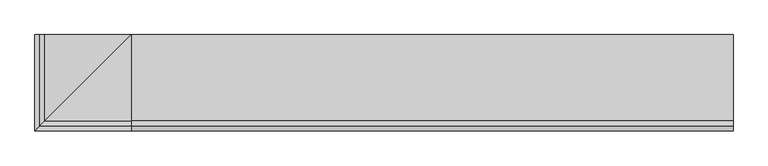
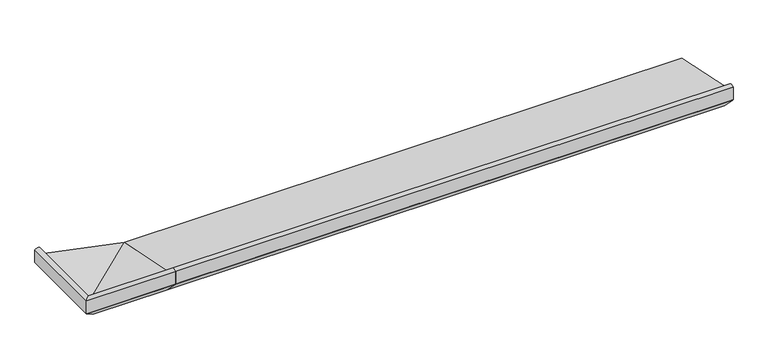
"""IFC4 building model written with IfcOpenShell, lengths in millimetres: proxy geometry."""

from ifc_helpers import new_model, si_unit, point, frame, frame_2d, origin, place, context, project, spatial, polyline, circle_curve, ellipse_curve, trimmed, segment, composite_curve, outline, extrude, source, transform, mapped, element, save
from ifc_brep_helpers import plane_surface, cylinder_surface, advanced_brep


def generic_models_1d79dcf6(model_context):
    return source(origin(), model_context, "Body", "SolidModel", [
        advanced_brep(
        [(0.0, 16.9634146, 2.0714803), (0.0, 27.0536769, 0.9956448), (0.0, 27.0536769, 0.0), (0.0, 35.0, 0.0), (0.0, 35.0, 9.1871592), (0.0, -108.4970481, 38.6463845), (0.0, -116.6949035, 52.9234409), (0.0, -125.0, 51.2355304), (0.0, -125.0, 27.0076366), (0.0, -124.2741015, 25.9409736), (0.0, -98.3331279, 0.0), (0.0, -84.3282852, 0.0), (0.0, -84.3282852, 7.9636602), (0.0, -71.9994005, 7.9636602), (0.0, -71.9994005, 0.0), (0.0, -51.9659993, 0.0), (0.0, -51.9659993, 5.0), (0.0, -38.9970202, 5.0), (0.0, -38.9970202, 0.0), (0.0, -18.9957985, 0.0), (0.0, -18.9957985, 4.0148089), (0.0, -7.0449052, 4.0148089), (0.0, -7.0449052, 0.0), (0.0, 16.9634146, 0.0), (-18.0365854, 35.0, 2.0714803), (-18.0365854, 35.0, 0.0), (-42.0449052, 35.0, 0.0), (-42.0449052, 35.0, 4.0148089), (-53.9957985, 35.0, 4.0148089), (-53.9957985, 35.0, 0.0), (-73.9970202, 35.0, 0.0), (-73.9970202, 35.0, 5.0), (-86.9659993, 35.0, 5.0), (-86.9659993, 35.0, 0.0), (-106.9994005, 35.0, 0.0), (-106.9994005, 35.0, 7.9636602), (-119.3282852, 35.0, 7.9636602), (-119.3282852, 35.0, 0.0), (-133.3331279, 35.0, 0.0), (-159.2741015, 35.0, 25.9409736), (-160.0, 35.0, 27.0076366), (-160.0, 35.0, 51.2355304), (-151.6949035, 35.0, 52.9234409), (-143.4970481, 35.0, 38.6463845), (-7.9463231, 35.0, 0.0), (-7.9463231, 35.0, 0.9956448), (-18.0365854, 16.9634146, 2.0714803), (-7.9463231, 27.0536769, 0.9956448), (-7.9463231, 27.0536769, 0.0), (-143.4970481, -108.4970481, 38.6463845), (-151.6949035, -116.6949035, 52.9234409), (-160.0, -125.0, 51.2355304), (-160.0, -125.0, 27.0076366), (-159.2741015, -124.2741015, 25.9409736), (-133.3331279, -98.3331279, 0.0), (-119.3282852, -84.3282852, 0.0), (-119.3282852, -84.3282852, 7.9636602), (-106.9994005, -71.9994005, 7.9636602), (-106.9994005, -71.9994005, 0.0), (-86.9659993, -51.9659993, 0.0), (-86.9659993, -51.9659993, 5.0), (-73.9970202, -38.9970202, 5.0), (-73.9970202, -38.9970202, 0.0), (-53.9957985, -18.9957985, 0.0), (-53.9957985, -18.9957985, 4.0148089), (-42.0449052, -7.0449052, 4.0148089), (-42.0449052, -7.0449052, 0.0), (-18.0365854, 16.9634146, 0.0)],
        [
            (0, 1),
            (1, 2),
            (2, 3),
            (3, 4),
            (4, 5),
            (5, 6),
            (6, 7, circle_curve(frame((0.0, -118.9446027, 42.7168184), z_axis=(1.0, 0.0, 0.0), x_axis=(0.0, 1.0000000000000002, 0.0)), 10.4516166)),
            (7, 8),
            (8, 9, circle_curve(frame((0.0, -121.8315077, 28.3835674), z_axis=(1.0, 0.0, 0.0), x_axis=(0.0, 1.0000000000000002, 0.0)), 3.4543493)),
            (9, 10),
            (10, 11),
            (11, 12),
            (12, 13),
            (13, 14),
            (14, 15),
            (15, 16),
            (16, 17),
            (17, 18),
            (18, 19),
            (19, 20),
            (20, 21),
            (21, 22),
            (22, 23),
            (23, 0),
            (24, 25),
            (25, 26),
            (26, 27),
            (27, 28),
            (28, 29),
            (29, 30),
            (30, 31),
            (31, 32),
            (32, 33),
            (33, 34),
            (34, 35),
            (35, 36),
            (36, 37),
            (37, 38),
            (38, 39),
            (39, 40, circle_curve(frame((-156.8315077, 35.0, 28.3835674), z_axis=(0.0, 1.0, 0.0), x_axis=(1.0000000000000002, 0.0, 0.0)), 3.4543493)),
            (40, 41),
            (41, 42, circle_curve(frame((-153.9446027, 35.0, 42.7168184), z_axis=(0.0, 1.0, 0.0), x_axis=(1.0000000000000002, 0.0, 0.0)), 10.4516166)),
            (42, 43),
            (43, 4),
            (3, 44),
            (44, 45),
            (45, 24),
            (0, 46),
            (46, 47),
            (47, 1),
            (47, 48),
            (48, 2),
            (48, 44),
            (4, 49),
            (49, 5),
            (49, 50),
            (50, 6),
            (50, 51, ellipse_curve(frame((-153.9446027, -118.9446027, 42.7168184), z_axis=(0.7071067811865446, -0.7071067811865503, 0.0), x_axis=(0.7071067811865506, 0.7071067811865445, 0.0)), 14.780818, 10.4516166)),
            (51, 7),
            (51, 52),
            (52, 8),
            (52, 53, ellipse_curve(frame((-156.8315077, -121.8315077, 28.3835674), z_axis=(0.7071067811865446, -0.7071067811865503, 0.0), x_axis=(0.7071067811865506, 0.7071067811865445, 0.0)), 4.8851877, 3.4543493)),
            (53, 9),
            (53, 54),
            (54, 10),
            (54, 38),
            (37, 55),
            (55, 11),
            (55, 56),
            (56, 12),
            (56, 36),
            (35, 57),
            (57, 13),
            (57, 58),
            (58, 14),
            (58, 34),
            (33, 59),
            (59, 15),
            (59, 60),
            (60, 16),
            (60, 32),
            (31, 61),
            (61, 17),
            (61, 62),
            (62, 18),
            (62, 30),
            (29, 63),
            (63, 19),
            (63, 64),
            (64, 20),
            (64, 28),
            (27, 65),
            (65, 21),
            (65, 66),
            (66, 22),
            (66, 26),
            (25, 67),
            (67, 23),
            (67, 46),
            (46, 24),
            (45, 47),
            (43, 49),
            (42, 50),
            (41, 51),
            (40, 52),
            (39, 53),
        ],
        [
            plane_surface(frame((0.0, -46.0, 0.0), z_axis=(1.0, 0.0, 0.0), x_axis=(0.0, 0.0, 1.0))),
            plane_surface(frame((-81.0, 35.0, 0.0), z_axis=(0.0, 1.0, 0.0), x_axis=(0.0, 0.0, 1.0))),
            plane_surface(frame((0.0, 16.9634146, 2.0714803), z_axis=(0.0, -0.1060202410059177, -0.9943639718418237), x_axis=(-1.0, 0.0, 0.0))),
            plane_surface(frame((0.0, 27.0536769, 0.9956448), z_axis=(0.0, -1.0, 0.0), x_axis=(-1.0, 0.0, 0.0))),
            plane_surface(frame((0.0, 27.0536769, 0.0), z_axis=(0.0, 0.0, -1.0), x_axis=(-1.0, 0.0, 0.0))),
            plane_surface(frame((0.0, 35.0, 9.1871592), z_axis=(0.0, 0.20110092371128918, 0.9795705275693355), x_axis=(-1.0, 0.0, 0.0))),
            plane_surface(frame((0.0, -108.4970481, 38.6463845), z_axis=(0.0, 0.867206740138978, 0.49794826022140826), x_axis=(-1.0, 0.0, 0.0))),
            cylinder_surface(frame((0.0, -118.9446027, 42.7168184), z_axis=(1.0000000000000002, 0.0, 0.0), x_axis=(0.0, 1.0000000000000002, 0.0)), 10.4516166),
            plane_surface(frame((0.0, -125.0, 51.2355304), z_axis=(0.0, -1.0, 0.0), x_axis=(-1.0, 0.0, 0.0))),
            cylinder_surface(frame((0.0, -121.8315077, 28.3835674), z_axis=(1.0000000000000002, 0.0, 0.0), x_axis=(0.0, 1.0000000000000002, 0.0)), 3.4543493),
            plane_surface(frame((0.0, -124.2741015, 25.9409736), z_axis=(0.0, -0.707106781186547, -0.707106781186548), x_axis=(-1.0, 0.0, 0.0))),
            plane_surface(frame((0.0, -98.3331279, 0.0), z_axis=(0.0, 0.0, -1.0), x_axis=(-1.0, 0.0, 0.0))),
            plane_surface(frame((0.0, -84.3282852, 0.0), z_axis=(0.0, 1.0, 0.0), x_axis=(-1.0, 0.0, 0.0))),
            plane_surface(frame((0.0, -84.3282852, 7.9636602), z_axis=(0.0, 0.0, -1.0), x_axis=(-1.0, 0.0, 0.0))),
            plane_surface(frame((0.0, -71.9994005, 7.9636602), z_axis=(0.0, -1.0, 0.0), x_axis=(-1.0, 0.0, 0.0))),
            plane_surface(frame((0.0, -71.9994005, 0.0), z_axis=(0.0, 0.0, -1.0), x_axis=(-1.0, 0.0, 0.0))),
            plane_surface(frame((0.0, -51.9659993, 0.0), z_axis=(0.0, 1.0, 0.0), x_axis=(-1.0, 0.0, 0.0))),
            plane_surface(frame((0.0, -51.9659993, 5.0), z_axis=(0.0, 0.0, -1.0), x_axis=(-1.0, 0.0, 0.0))),
            plane_surface(frame((0.0, -38.9970202, 5.0), z_axis=(0.0, -1.0, 0.0), x_axis=(-1.0, 0.0, 0.0))),
            plane_surface(frame((0.0, -38.9970202, 0.0), z_axis=(0.0, 0.0, -1.0), x_axis=(-1.0, 0.0, 0.0))),
            plane_surface(frame((0.0, -18.9957985, 0.0), z_axis=(0.0, 1.0, 0.0), x_axis=(-1.0, 0.0, 0.0))),
            plane_surface(frame((0.0, -18.9957985, 4.0148089), z_axis=(0.0, 0.0, -1.0), x_axis=(-1.0, 0.0, 0.0))),
            plane_surface(frame((0.0, -7.0449052, 4.0148089), z_axis=(0.0, -1.0, 0.0), x_axis=(-1.0, 0.0, 0.0))),
            plane_surface(frame((0.0, -7.0449052, 0.0), z_axis=(0.0, 0.0, -1.0), x_axis=(-1.0, 0.0, 0.0))),
            plane_surface(frame((0.0, 16.9634146, 0.0), z_axis=(0.0, 1.0, 0.0), x_axis=(-1.0, 0.0, 0.0))),
            plane_surface(frame((-18.0365854, 16.9634146, 2.0714803), z_axis=(-0.1060202410059177, 0.0, -0.9943639718418237), x_axis=(0.0, 1.0, 0.0))),
            plane_surface(frame((-7.9463231, 27.0536769, 0.9956448), z_axis=(-1.0, 0.0, 0.0), x_axis=(0.0, 1.0, 0.0))),
            plane_surface(frame((0.0, 35.0, 9.1871592), z_axis=(0.20110092371128918, 0.0, 0.9795705275693355), x_axis=(0.0, 1.0, 0.0))),
            plane_surface(frame((-143.4970481, -108.4970481, 38.6463845), z_axis=(0.867206740138978, 0.0, 0.49794826022140826), x_axis=(0.0, 1.0, 0.0))),
            cylinder_surface(frame((-153.9446027, -46.0, 42.7168184), z_axis=(0.0, -1.0000000000000002, 0.0), x_axis=(1.0000000000000002, 0.0, 0.0)), 10.4516166),
            plane_surface(frame((-160.0, -125.0, 51.2355304), z_axis=(-1.0, 0.0, 0.0), x_axis=(0.0, 1.0, 0.0))),
            cylinder_surface(frame((-156.8315077, -46.0, 28.3835674), z_axis=(0.0, -1.0000000000000002, 0.0), x_axis=(1.0000000000000002, 0.0, 0.0)), 3.4543493),
            plane_surface(frame((-159.2741015, -124.2741015, 25.9409736), z_axis=(-0.707106781186547, 0.0, -0.707106781186548), x_axis=(0.0, 1.0, 0.0))),
            plane_surface(frame((-119.3282852, -84.3282852, 0.0), z_axis=(1.0, 0.0, 0.0), x_axis=(0.0, 1.0, 0.0))),
            plane_surface(frame((-106.9994005, -71.9994005, 7.9636602), z_axis=(-1.0, 0.0, 0.0), x_axis=(0.0, 1.0, 0.0))),
            plane_surface(frame((-86.9659993, -51.9659993, 0.0), z_axis=(1.0, 0.0, 0.0), x_axis=(0.0, 1.0, 0.0))),
            plane_surface(frame((-73.9970202, -38.9970202, 5.0), z_axis=(-1.0, 0.0, 0.0), x_axis=(0.0, 1.0, 0.0))),
            plane_surface(frame((-53.9957985, -18.9957985, 0.0), z_axis=(1.0, 0.0, 0.0), x_axis=(0.0, 1.0, 0.0))),
            plane_surface(frame((-42.0449052, -7.0449052, 4.0148089), z_axis=(-1.0, 0.0, 0.0), x_axis=(0.0, 1.0, 0.0))),
            plane_surface(frame((-18.0365854, 16.9634146, 0.0), z_axis=(1.0, 0.0, 0.0), x_axis=(0.0, 1.0, 0.0))),
        ],
        [
            (0, [[1, 2, 3, 4, 5, 6, 7, 8, 9, 10, 11, 12, 13, 14, 15, 16, 17, 18, 19, 20, 21, 22, 23, 24]]),
            (1, [[25, 26, 27, 28, 29, 30, 31, 32, 33, 34, 35, 36, 37, 38, 39, 40, 41, 42, 43, 44, -4, 45, 46, 47]]),
            (2, [[-1, 48, 49, 50]]),
            (3, [[-2, -50, 51, 52]]),
            (4, [[-3, -52, 53, -45]]),
            (5, [[-5, 54, 55]]),
            (6, [[-6, -55, 56, 57]]),
            (7, [[-7, -57, 58, 59]]),
            (8, [[-8, -59, 60, 61]]),
            (9, [[-9, -61, 62, 63]]),
            (10, [[-10, -63, 64, 65]]),
            (11, [[-11, -65, 66, -38, 67, 68]]),
            (12, [[-12, -68, 69, 70]]),
            (13, [[-13, -70, 71, -36, 72, 73]]),
            (14, [[-14, -73, 74, 75]]),
            (15, [[-15, -75, 76, -34, 77, 78]]),
            (16, [[-16, -78, 79, 80]]),
            (17, [[-17, -80, 81, -32, 82, 83]]),
            (18, [[-18, -83, 84, 85]]),
            (19, [[-19, -85, 86, -30, 87, 88]]),
            (20, [[-20, -88, 89, 90]]),
            (21, [[-21, -90, 91, -28, 92, 93]]),
            (22, [[-22, -93, 94, 95]]),
            (23, [[-23, -95, 96, -26, 97, 98]]),
            (24, [[-24, -98, 99, -48]]),
            (25, [[-49, 100, -47, 101]]),
            (26, [[-51, -101, -46, -53]]),
            (27, [[-54, -44, 102]]),
            (28, [[-56, -102, -43, 103]]),
            (29, [[-58, -103, -42, 104]]),
            (30, [[-60, -104, -41, 105]]),
            (31, [[-62, -105, -40, 106]]),
            (32, [[-64, -106, -39, -66]]),
            (33, [[-69, -67, -37, -71]]),
            (34, [[-74, -72, -35, -76]]),
            (35, [[-79, -77, -33, -81]]),
            (36, [[-84, -82, -31, -86]]),
            (37, [[-89, -87, -29, -91]]),
            (38, [[-94, -92, -27, -96]]),
            (39, [[-99, -97, -25, -100]]),
        ],
    ),
        extrude(outline(composite_curve([segment(polyline([(16.9634146, 2.0714803), (16.9634146, 0.0), (-7.0449052, 0.0), (-7.0449052, 4.0148089), (-18.9957985, 4.0148089), (-18.9957985, 0.0), (-38.9970202, 0.0), (-38.9970202, 5.0), (-51.9659993, 5.0), (-51.9659993, 0.0), (-71.9994005, 0.0), (-71.9994005, 7.9636602), (-84.3282852, 7.9636602), (-84.3282852, 0.0), (-98.3331279, 0.0), (-124.2741015, 25.9409736)]), True, "CONTINUOUS"), segment(trimmed(circle_curve(frame_2d((-121.8315077, 28.3835674)), 3.4543493), [point((-124.2741015, 25.9409736))], [point((-125.0, 27.0076366))], False, "CARTESIAN"), True, "CONTINUOUS"), segment(polyline([(-125.0, 27.0076366), (-125.0, 51.2355304)]), True, "CONTINUOUS"), segment(trimmed(circle_curve(frame_2d((-118.9446027, 42.7168184)), 10.4516166), [point((-125.0, 51.2355304))], [point((-116.6949035, 52.9234409))], False, "CARTESIAN"), True, "CONTINUOUS"), segment(polyline([(-116.6949035, 52.9234409), (-108.4970481, 38.6463845), (35.0, 9.1871592), (35.0, 0.0), (27.0536769, 0.0), (27.0536769, 0.9956448), (16.9634146, 2.0714803)]), True, "CONTINUOUS")], self_intersect=False)), frame((0.0, 0.0, 0.0), z_axis=(1.0, 0.0, 0.0), x_axis=(0.0, 1.0, 0.0)), (0.0, 0.0, 1.0), 1000.0),
    ])


if __name__ == "__main__":
    model = new_model("IFC4")
    model_context = context("Model", 3, world=origin())
    ifc_project = project(units=[si_unit("LENGTHUNIT", "METRE", prefix="MILLI")], contexts=[model_context])
    site = spatial("IfcSite", under=ifc_project)
    building = spatial("IfcBuilding", under=site)
    placement = place(None, origin())
    generic_models_shape = generic_models_1d79dcf6(model_context)
    element("IfcBuildingElementProxy", 1, Name="Generic Models", at=placement, inside=building, context=model_context, shape_type="MappedRepresentation", body=[
        mapped(generic_models_shape, transform((0.0, 0.0, 0.0), x_axis=(1.0, 0.0, 0.0), y_axis=(0.0, 1.0, 0.0), z_axis=(0.0, 0.0, 1.0))),
    ])
    save(model, "model.ifc")
